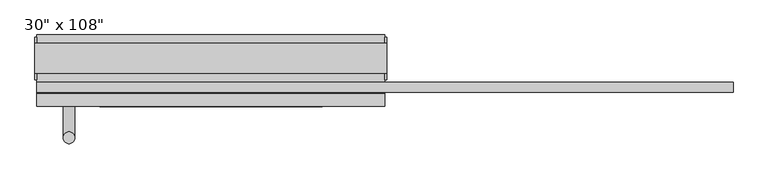
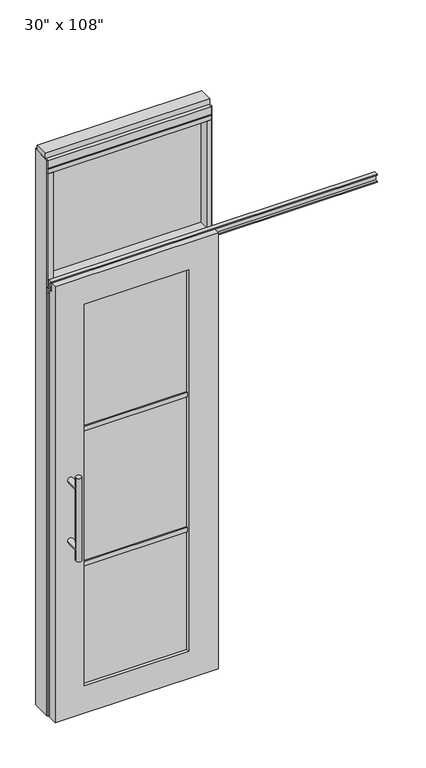
"""IFC4 building model written with IfcOpenShell, lengths in millimetres: furniture geometry."""

from ifc_helpers import new_model, si_unit, frame, origin, origin_with_axes, place, context, project, spatial, polyline, circle_curve, ellipse_curve, outline, extrude, faceted_brep, source, transform, mapped, element, save
from ifc_brep_helpers import plane_surface, cylinder_surface, advanced_brep


def furniture_cc22926a(model_context):
    return source(origin(), model_context, "Body", "SolidModel", [
        extrude(outline(polyline([(294.8014771, -9.5977216), (-414.8745229, -9.5977216), (-414.8745229, 0.5622784), (294.8014771, 0.5622784), (294.8014771, -9.5977216)])), frame((0.0, 0.0, 2133.6), z_axis=(0.0, 0.0, 1.0), x_axis=(1.0, 0.0, 0.0)), (0.0, 0.0, 1.0), 520.7),
        advanced_brep(
        [(-379.8225229, 3.3562784, 1219.2), (-354.4225229, 3.3562784, 1219.2), (-379.8225229, 3.3562784, 812.8), (-354.4225229, 3.3562784, 812.8), (-354.4225229, 3.3562784, 1164.336), (-354.4225229, 3.3562784, 867.664), (-379.8225229, 3.3562784, 867.664), (-379.8225229, 3.3562784, 1164.336), (-379.8225229, -64.2077216, 1164.336), (-354.4225229, -64.2077216, 1164.336), (-379.8225229, -64.2077216, 867.664), (-354.4225229, -64.2077216, 867.664)],
        [
            (0, 1, circle_curve(frame((-367.1225229, 3.3562784, 1219.2), z_axis=(0.0, 0.0, 1.0), x_axis=(1.0, 0.0, 0.0)), 12.7)),
            (1, 0, circle_curve(frame((-367.1225229, 3.3562784, 1219.2), z_axis=(0.0, 0.0, 1.0), x_axis=(1.0, 0.0, 0.0)), 12.7)),
            (2, 3, circle_curve(frame((-367.1225229, 3.3562784, 812.8), z_axis=(0.0, 0.0, -1.0), x_axis=(1.0, 0.0, 0.0)), 12.7)),
            (3, 2, circle_curve(frame((-367.1225229, 3.3562784, 812.8), z_axis=(0.0, 0.0, -1.0), x_axis=(1.0, 0.0, 0.0)), 12.7)),
            (1, 4),
            (4, 5),
            (5, 3),
            (2, 6),
            (6, 7),
            (7, 0),
            (6, 5, ellipse_curve(frame((-367.1225229, 3.3562784, 867.664), z_axis=(0.0, 0.707106781186565, 0.70710678118653), x_axis=(0.0, -0.70710678118653, 0.707106781186565)), 17.9605122, 12.7)),
            (4, 7, ellipse_curve(frame((-367.1225229, 3.3562784, 1164.336), z_axis=(0.0, 0.70710678118653, -0.7071067811865649), x_axis=(0.0, 0.7071067811865648, 0.7071067811865301)), 17.9605122, 12.7)),
            (7, 4, ellipse_curve(frame((-367.1225229, 3.3562784, 1164.336), z_axis=(0.0, 0.707106781186565, 0.70710678118653), x_axis=(0.0, -0.70710678118653, 0.707106781186565)), 17.9605122, 12.7)),
            (5, 6, ellipse_curve(frame((-367.1225229, 3.3562784, 867.664), z_axis=(0.0, 0.70710678118653, -0.7071067811865649), x_axis=(0.0, 0.7071067811865648, 0.7071067811865301)), 17.9605122, 12.7)),
            (8, 9, circle_curve(frame((-367.1225229, -64.2077216, 1164.336), z_axis=(0.0, -1.0, 0.0), x_axis=(1.0, 0.0, 0.0)), 12.7)),
            (9, 8, circle_curve(frame((-367.1225229, -64.2077216, 1164.336), z_axis=(0.0, -1.0, 0.0), x_axis=(1.0, 0.0, 0.0)), 12.7)),
            (8, 7),
            (4, 9),
            (10, 11, circle_curve(frame((-367.1225229, -64.2077216, 867.664), z_axis=(0.0, -1.0, 0.0), x_axis=(1.0, 0.0, 0.0)), 12.7)),
            (11, 10, circle_curve(frame((-367.1225229, -64.2077216, 867.664), z_axis=(0.0, -1.0, 0.0), x_axis=(1.0, 0.0, 0.0)), 12.7)),
            (10, 6),
            (5, 11),
        ],
        [
            plane_surface(frame((-354.4225229, 3.3562784, 1219.2), z_axis=(0.0, 0.0, 1.0), x_axis=(0.0, -1.0, 0.0))),
            plane_surface(frame((-354.4225229, 3.3562784, 812.8), z_axis=(0.0, 0.0, -1.0), x_axis=(0.0, 1.0, 0.0))),
            cylinder_surface(frame((-367.1225229, 3.3562784, 812.8), z_axis=(0.0, 0.0, 1.0), x_axis=(1.0, 0.0, 0.0)), 12.7),
            plane_surface(frame((-354.4225229, -64.2077216, 1164.336), z_axis=(0.0, -1.0, 0.0), x_axis=(0.0, 0.0, -1.0))),
            cylinder_surface(frame((-367.1225229, -64.2077216, 1164.336), z_axis=(0.0, 1.0, 0.0), x_axis=(1.0, 0.0, 0.0)), 12.7),
            plane_surface(frame((-354.4225229, -64.2077216, 867.664), z_axis=(0.0, -1.0, 0.0), x_axis=(0.0, 0.0, -1.0))),
            cylinder_surface(frame((-367.1225229, -64.2077216, 867.664), z_axis=(0.0, 1.0, 0.0), x_axis=(1.0, 0.0, 0.0)), 12.7),
        ],
        [
            (0, [[1, 2]]),
            (1, [[3, 4]]),
            (2, [[5, 6, 7, -3, 8, 9, 10, -2]]),
            (2, [[-9, 11, -6, 12]]),
            (2, [[-10, 13, -5, -1]]),
            (2, [[-7, 14, -8, -4]]),
            (3, [[15, 16]]),
            (4, [[17, -12, 18, -15]]),
            (4, [[-18, -13, -17, -16]]),
            (5, [[19, 20]]),
            (6, [[21, -14, 22, -19]]),
            (6, [[-22, -11, -21, -20]]),
        ],
    ),
        advanced_brep(
        [(-379.8225229, -176.2217216, 1219.2), (-354.4225229, -176.2217216, 1219.2), (-379.8225229, -176.2217216, 812.8), (-354.4225229, -176.2217216, 812.8), (-379.8225229, -176.2217216, 1164.336), (-379.8225229, -176.2217216, 867.664), (-354.4225229, -176.2217216, 867.664), (-354.4225229, -176.2217216, 1164.336), (-379.8225229, -108.6577216, 1164.336), (-354.4225229, -108.6577216, 1164.336), (-379.8225229, -108.6577216, 867.664), (-354.4225229, -108.6577216, 867.664)],
        [
            (0, 1, circle_curve(frame((-367.1225229, -176.2217216, 1219.2), z_axis=(0.0, 0.0, 1.0), x_axis=(1.0, 0.0, 0.0)), 12.7)),
            (1, 0, circle_curve(frame((-367.1225229, -176.2217216, 1219.2), z_axis=(0.0, 0.0, 1.0), x_axis=(1.0, 0.0, 0.0)), 12.7)),
            (2, 3, circle_curve(frame((-367.1225229, -176.2217216, 812.8), z_axis=(0.0, 0.0, -1.0), x_axis=(1.0, 0.0, 0.0)), 12.7)),
            (3, 2, circle_curve(frame((-367.1225229, -176.2217216, 812.8), z_axis=(0.0, 0.0, -1.0), x_axis=(1.0, 0.0, 0.0)), 12.7)),
            (0, 4),
            (4, 5),
            (5, 2),
            (3, 6),
            (6, 7),
            (7, 1),
            (7, 4, ellipse_curve(frame((-367.1225229, -176.2217216, 1164.336), z_axis=(0.0, -0.707106781186565, 0.70710678118653), x_axis=(0.0, 0.70710678118653, 0.707106781186565)), 17.9605122, 12.7)),
            (5, 6, ellipse_curve(frame((-367.1225229, -176.2217216, 867.664), z_axis=(0.0, -0.70710678118653, -0.7071067811865649), x_axis=(0.0, -0.7071067811865648, 0.7071067811865301)), 17.9605122, 12.7)),
            (4, 7, ellipse_curve(frame((-367.1225229, -176.2217216, 1164.336), z_axis=(0.0, -0.70710678118653, -0.7071067811865649), x_axis=(0.0, -0.7071067811865648, 0.7071067811865301)), 17.9605122, 12.7)),
            (6, 5, ellipse_curve(frame((-367.1225229, -176.2217216, 867.664), z_axis=(0.0, -0.707106781186565, 0.70710678118653), x_axis=(0.0, 0.70710678118653, 0.707106781186565)), 17.9605122, 12.7)),
            (8, 9, circle_curve(frame((-367.1225229, -108.6577216, 1164.336), z_axis=(0.0, 1.0, 0.0), x_axis=(1.0, 0.0, 0.0)), 12.7)),
            (9, 8, circle_curve(frame((-367.1225229, -108.6577216, 1164.336), z_axis=(0.0, 1.0, 0.0), x_axis=(1.0, 0.0, 0.0)), 12.7)),
            (9, 7),
            (4, 8),
            (10, 11, circle_curve(frame((-367.1225229, -108.6577216, 867.664), z_axis=(0.0, 1.0, 0.0), x_axis=(1.0, 0.0, 0.0)), 12.7)),
            (11, 10, circle_curve(frame((-367.1225229, -108.6577216, 867.664), z_axis=(0.0, 1.0, 0.0), x_axis=(1.0, 0.0, 0.0)), 12.7)),
            (11, 6),
            (5, 10),
        ],
        [
            plane_surface(frame((-354.4225229, -176.2217216, 1219.2), z_axis=(0.0, 0.0, 1.0), x_axis=(0.0, 1.0, 0.0))),
            plane_surface(frame((-354.4225229, -176.2217216, 812.8), z_axis=(0.0, 0.0, -1.0), x_axis=(0.0, -1.0, 0.0))),
            cylinder_surface(frame((-367.1225229, -176.2217216, 812.8), z_axis=(0.0, 0.0, 1.0), x_axis=(1.0, 0.0, 0.0)), 12.7),
            plane_surface(frame((-354.4225229, -108.6577216, 1164.336), z_axis=(0.0, 1.0, 0.0), x_axis=(0.0, 0.0, -1.0))),
            cylinder_surface(frame((-367.1225229, -108.6577216, 1164.336), z_axis=(0.0, -1.0, 0.0), x_axis=(1.0, 0.0, 0.0)), 12.7),
            plane_surface(frame((-354.4225229, -108.6577216, 867.664), z_axis=(0.0, 1.0, 0.0), x_axis=(0.0, 0.0, -1.0))),
            cylinder_surface(frame((-367.1225229, -108.6577216, 867.664), z_axis=(0.0, -1.0, 0.0), x_axis=(1.0, 0.0, 0.0)), 12.7),
        ],
        [
            (0, [[1, 2]]),
            (1, [[3, 4]]),
            (2, [[-1, 5, 6, 7, -4, 8, 9, 10]]),
            (2, [[-2, -10, 11, -5]]),
            (2, [[-3, -7, 12, -8]]),
            (2, [[13, -9, 14, -6]]),
            (3, [[15, 16]]),
            (4, [[-16, 17, -13, 18]]),
            (4, [[-15, -18, -11, -17]]),
            (5, [[19, 20]]),
            (6, [[-20, 21, -12, 22]]),
            (6, [[-19, -22, -14, -21]]),
        ],
    ),
        extrude(outline(polyline([(-301.0825229, -97.5452216), (-301.0825229, -75.3202216), (181.0094771, -75.3202216), (181.0094771, -97.5452216), (-301.0825229, -97.5452216)])), frame((0.0, 0.0, 1371.6), z_axis=(0.0, 0.0, 1.0), x_axis=(1.0, 0.0, 0.0)), (0.0, 0.0, 1.0), 22.225),
        extrude(outline(polyline([(-301.0825229, -97.5452216), (-301.0825229, -75.3202216), (181.0094771, -75.3202216), (181.0094771, -97.5452216), (-301.0825229, -97.5452216)])), frame((0.0, 0.0, 711.2), z_axis=(0.0, 0.0, 1.0), x_axis=(1.0, 0.0, 0.0)), (0.0, 0.0, 1.0), 22.225),
        extrude(outline(polyline([(181.0094771, -91.5127216), (-301.0825229, -91.5127216), (-301.0825229, -81.3527216), (181.0094771, -81.3527216), (181.0094771, -91.5127216)])), frame((0.0, 0.0, 132.969), z_axis=(0.0, 0.0, 1.0), x_axis=(1.0, 0.0, 0.0)), (0.0, 0.0, 1.0), 1867.662),
        extrude(outline(polyline([(-77.9237216, 2097.278), (-77.9237216, 2102.612), (-65.2237216, 2102.612), (-65.2237216, 2131.568), (-77.9237216, 2131.568), (-77.9237216, 2136.902), (-56.2067216, 2136.902), (-56.2067216, 2097.278), (-77.9237216, 2097.278)])), frame((-437.0995229, 0.0, 0.0), z_axis=(1.0, 0.0, 0.0), x_axis=(0.0, 1.0, 0.0)), (0.0, 0.0, 1.0), 1508.252),
        faceted_brep([(-437.0995229, -108.6577216, 0.0), (317.0264771, -108.6577216, 0.0), (317.0264771, -108.6577216, 2133.6), (-437.0995229, -108.6577216, 2133.6), (181.0094771, -108.6577216, 2000.631), (181.0094771, -108.6577216, 132.969), (-301.0825229, -108.6577216, 132.969), (-301.0825229, -108.6577216, 2000.631), (-437.0995229, -81.2257216, 2133.6), (317.0264771, -81.2257216, 2133.6), (317.0264771, -81.2257216, 2089.023), (-437.0995229, -81.2257216, 2089.023), (-437.0995229, -64.2077216, 2089.023), (-437.0995229, -64.2077216, 0.0), (317.0264771, -64.2077216, 0.0), (317.0264771, -64.2077216, 2089.023), (181.0094771, -64.2077216, 2000.631), (-301.0825229, -64.2077216, 2000.631), (-301.0825229, -64.2077216, 132.969), (181.0094771, -64.2077216, 132.969)], [[[0, 1, 2, 3], [4, 5, 6, 7]], [[8, 9, 10, 11]], [[0, 3, 8, 11, 12, 13]], [[2, 1, 14, 15, 10, 9]], [[3, 2, 9, 8]], [[15, 14, 13, 12], [16, 17, 18, 19]], [[15, 12, 11, 10]], [[1, 0, 13, 14]], [[5, 4, 16, 19]], [[6, 5, 19, 18]], [[7, 6, 18, 17]], [[4, 7, 17, 16]]]),
        extrude(outline(polyline([(-414.8745229, -55.3177216), (-437.0995229, -55.3177216), (-437.0995229, 46.2822784), (-414.8745229, 46.2822784), (-414.8745229, -55.3177216)])), frame((0.0, 0.0, 2133.6), z_axis=(0.0, 0.0, 1.0), x_axis=(1.0, 0.0, 0.0)), (0.0, 0.0, 1.0), 520.7),
        extrude(outline(polyline([(294.8014771, -55.3177216), (294.8014771, 46.2822784), (317.0264771, 46.2822784), (317.0264771, -55.3177216), (294.8014771, -55.3177216)])), frame((0.0, 0.0, 2133.6), z_axis=(0.0, 0.0, 1.0), x_axis=(1.0, 0.0, 0.0)), (0.0, 0.0, 1.0), 520.7),
        extrude(outline(polyline([(-437.0995229, -55.3177216), (-437.0995229, 46.2822784), (317.0264771, 46.2822784), (317.0264771, -55.3177216), (-437.0995229, -55.3177216)])), frame((0.0, 0.0, 2070.1), z_axis=(0.0, 0.0, 1.0), x_axis=(1.0, 0.0, 0.0)), (0.0, 0.0, 1.0), 22.225),
        extrude(outline(polyline([(-55.3177216, 2097.278), (-55.3177216, 2133.6), (46.2822784, 2133.6), (46.2822784, 2097.278), (41.3292784, 2097.278), (41.3292784, 2092.325), (-50.3647216, 2092.325), (-50.3647216, 2097.278), (-55.3177216, 2097.278)])), frame((-437.0995229, 0.0, 0.0), z_axis=(1.0, 0.0, 0.0), x_axis=(0.0, 1.0, 0.0)), (0.0, 0.0, 1.0), 754.126),
        extrude(outline(polyline([(-437.0995229, -55.3177216), (-437.0995229, 46.2822784), (317.0264771, 46.2822784), (317.0264771, -55.3177216), (-437.0995229, -55.3177216)])), frame((0.0, 0.0, 2654.3), z_axis=(0.0, 0.0, 1.0), x_axis=(1.0, 0.0, 0.0)), (0.0, 0.0, 1.0), 22.225),
        extrude(outline(polyline([(320.9634771, -50.3647216), (317.0264771, -50.3647216), (317.0264771, 41.3292784), (320.9634771, 41.3292784), (320.9634771, -50.3647216)])), origin_with_axes(), (0.0, 0.0, 1.0), 2717.8),
        extrude(outline(polyline([(-441.0365229, -50.3647216), (-441.0365229, 41.3292784), (-437.0995229, 41.3292784), (-437.0995229, -50.3647216), (-441.0365229, -50.3647216)])), origin_with_axes(), (0.0, 0.0, 1.0), 2717.8),
        extrude(outline(polyline([(294.8014771, -55.3177216), (294.8014771, 46.2822784), (317.0264771, 46.2822784), (317.0264771, -55.3177216), (294.8014771, -55.3177216)])), origin_with_axes(), (0.0, 0.0, 1.0), 2070.1),
        extrude(outline(polyline([(-414.8745229, -55.3177216), (-437.0995229, -55.3177216), (-437.0995229, 46.2822784), (-414.8745229, 46.2822784), (-414.8745229, -55.3177216)])), origin_with_axes(), (0.0, 0.0, 1.0), 2070.1),
        extrude(outline(polyline([(-55.3177216, 2681.478), (-55.3177216, 2717.8), (46.2822784, 2717.8), (46.2822784, 2681.478), (41.3292784, 2681.478), (41.3292784, 2676.525), (-50.3647216, 2676.525), (-50.3647216, 2681.478), (-55.3177216, 2681.478)])), frame((-437.0995229, 0.0, 0.0), z_axis=(1.0, 0.0, 0.0), x_axis=(0.0, 1.0, 0.0)), (0.0, 0.0, 1.0), 754.126),
        extrude(outline(polyline([(-441.0365229, -37.0297216), (-441.0365229, 27.9942784), (320.9634771, 27.9942784), (320.9634771, -37.0297216), (-441.0365229, -37.0297216)])), frame((0.0, 0.0, 2717.8), z_axis=(0.0, 0.0, 1.0), x_axis=(1.0, 0.0, 0.0)), (0.0, 0.0, 1.0), 25.4),
    ])


if __name__ == "__main__":
    model = new_model("IFC4")
    model_context = context("Model", 3, world=origin())
    ifc_project = project(units=[si_unit("LENGTHUNIT", "METRE", prefix="MILLI")], contexts=[model_context])
    site = spatial("IfcSite", under=ifc_project)
    building = spatial("IfcBuilding", under=site)
    placement = place(None, origin())
    furniture_shape = furniture_cc22926a(model_context)
    element("IfcFurniture", 1, ObjectType="30\" x 108\"", at=placement, inside=building, context=model_context, shape_type="MappedRepresentation", body=[
        mapped(furniture_shape, transform((0.0, 0.0, 0.0), x_axis=(1.0, 0.0, 0.0), y_axis=(0.0, 1.0, 0.0), z_axis=(0.0, 0.0, 1.0))),
    ])
    save(model, "model.ifc")
